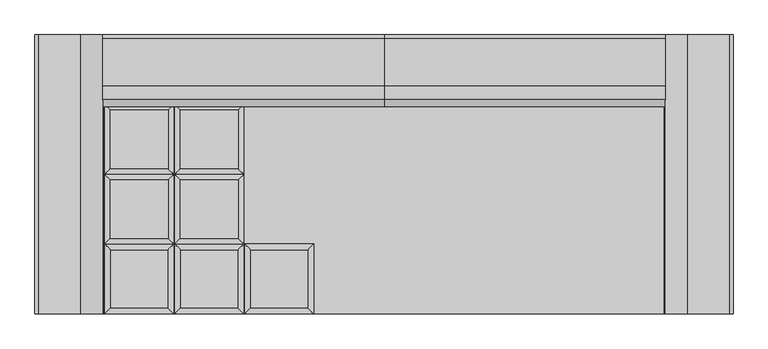
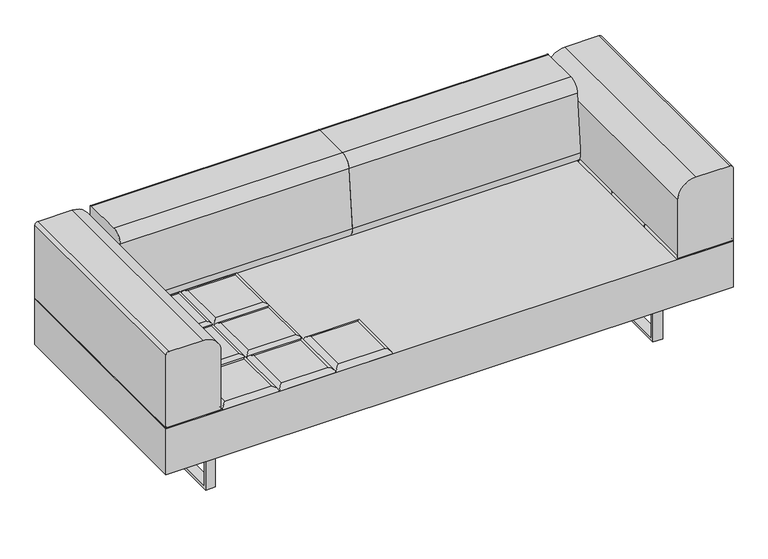
"""IFC4 building model written with IfcOpenShell, lengths in millimetres: furniture geometry."""

from ifc_helpers import new_model, si_unit, point, frame, frame_2d, origin, place, context, project, spatial, polyline, circle_curve, ellipse_curve, trimmed, segment, composite_curve, outline, extrude, source, transform, mapped, element, save
from ifc_brep_helpers import plane_surface, cylinder_surface, advanced_brep


def furniture_836f6d8a(model_context):
    return source(origin(), model_context, "Body", "SolidModel", [
        advanced_brep(
        [(-223.9433333, -222.25, 393.7), (-241.9038456, -240.2105122, 411.6605122), (-241.9038456, -426.5394878, 411.6605122), (-223.9433333, -444.5, 393.7), (-425.6928211, -426.5394878, 411.6605122), (-443.6533333, -444.5, 393.7), (-425.6928211, -240.2105122, 411.6605122), (-443.6533333, -222.25, 393.7)],
        [
            (0, 1, ellipse_curve(frame((-241.9038456, -240.2105122, 393.7), z_axis=(0.7071067811865475, -0.7071067811865475, 0.0), x_axis=(0.7071067811865474, 0.7071067811865476, 0.0)), 25.4, 17.9605122)),
            (1, 2),
            (2, 3, ellipse_curve(frame((-241.9038456, -426.5394878, 393.7), z_axis=(0.7071067811865475, 0.7071067811865475, 0.0), x_axis=(-0.7071067811865474, 0.7071067811865476, 0.0)), 25.4, 17.9605122)),
            (3, 0),
            (2, 4),
            (4, 5, ellipse_curve(frame((-425.6928211, -426.5394878, 393.7), z_axis=(0.7071067811865475, -0.7071067811865475, 0.0), x_axis=(0.7071067811865476, 0.7071067811865474, 0.0)), 25.4, 17.9605122)),
            (5, 3),
            (4, 6),
            (6, 7, ellipse_curve(frame((-425.6928211, -240.2105122, 393.7), z_axis=(-0.7071067811865475, -0.7071067811865475, 0.0), x_axis=(0.7071067811865474, -0.7071067811865476, 0.0)), 25.4, 17.9605122)),
            (7, 5),
            (0, 7),
            (6, 1),
        ],
        [
            cylinder_surface(frame((-241.9038456, -222.25, 393.7), z_axis=(0.0, 1.0, 0.0), x_axis=(1.0, 0.0, 0.0)), 17.9605122),
            cylinder_surface(frame((-223.9433333, -426.5394878, 393.7), z_axis=(1.0, 0.0, 0.0), x_axis=(0.0, -1.0, 0.0)), 17.9605122),
            cylinder_surface(frame((-425.6928211, -444.5, 393.7), z_axis=(0.0, -1.0, 0.0), x_axis=(-1.0, 0.0, 0.0)), 17.9605122),
            cylinder_surface(frame((-443.6533333, -240.2105122, 393.7), z_axis=(-1.0, 0.0, 0.0), x_axis=(0.0, 1.0, 0.0)), 17.9605122),
            plane_surface(frame((-443.6533333, -222.25, 393.7), z_axis=(0.0, 0.0, -1.0), x_axis=(1.0, 0.0, 0.0))),
            plane_surface(frame((-425.6928211, -240.2105122, 411.6605122), z_axis=(0.0, 0.0, 1.0), x_axis=(-1.0, 0.0, 0.0))),
        ],
        [
            (0, [[1, 2, 3, 4]]),
            (1, [[-3, 5, 6, 7]]),
            (2, [[-6, 8, 9, 10]]),
            (3, [[-1, 11, -9, 12]]),
            (4, [[-4, -7, -10, -11]]),
            (5, [[-2, -12, -8, -5]]),
        ],
    ),
        advanced_brep(
        [(-464.4360678, -204.2894878, 411.6605122), (-464.4360678, -17.9605122, 411.6605122), (-648.2250433, -17.9605122, 411.6605122), (-648.2250433, -204.2894878, 411.6605122), (-446.4755556, 0.0, 393.7), (-446.4755556, -222.25, 393.7), (-666.1855556, -222.25, 393.7), (-666.1855556, 0.0, 393.7)],
        [
            (0, 1),
            (1, 2),
            (2, 3),
            (3, 0),
            (4, 5),
            (5, 6),
            (6, 7),
            (7, 4),
            (4, 1, ellipse_curve(frame((-464.4360678, -17.9605122, 393.7), z_axis=(0.7071067811865475, -0.7071067811865475, 0.0), x_axis=(0.7071067811865474, 0.7071067811865476, 0.0)), 25.4, 17.9605122)),
            (0, 5, ellipse_curve(frame((-464.4360678, -204.2894878, 393.7), z_axis=(0.7071067811865475, 0.7071067811865475, 0.0), x_axis=(-0.7071067811865474, 0.7071067811865476, 0.0)), 25.4, 17.9605122)),
            (3, 6, ellipse_curve(frame((-648.2250433, -204.2894878, 393.7), z_axis=(0.7071067811865475, -0.7071067811865475, 0.0), x_axis=(0.7071067811865476, 0.7071067811865474, 0.0)), 25.4, 17.9605122)),
            (2, 7, ellipse_curve(frame((-648.2250433, -17.9605122, 393.7), z_axis=(-0.7071067811865475, -0.7071067811865475, 0.0), x_axis=(0.7071067811865474, -0.7071067811865476, 0.0)), 25.4, 17.9605122)),
        ],
        [
            plane_surface(frame((-648.2250433, -17.9605122, 411.6605122), z_axis=(0.0, 0.0, 1.0), x_axis=(-1.0, 0.0, 0.0))),
            plane_surface(frame((-648.2250433, -17.9605122, 393.7), z_axis=(0.0, 0.0, -1.0), x_axis=(1.0, 0.0, 0.0))),
            cylinder_surface(frame((-464.4360678, 0.0, 393.7), z_axis=(0.0, 1.0, 0.0), x_axis=(1.0, 0.0, 0.0)), 17.9605122),
            cylinder_surface(frame((-446.4755556, -204.2894878, 393.7), z_axis=(1.0, 0.0, 0.0), x_axis=(0.0, -1.0, 0.0)), 17.9605122),
            cylinder_surface(frame((-648.2250433, -222.25, 393.7), z_axis=(0.0, -1.0, 0.0), x_axis=(-1.0, 0.0, 0.0)), 17.9605122),
            cylinder_surface(frame((-666.1855556, -17.9605122, 393.7), z_axis=(-1.0, 0.0, 0.0), x_axis=(0.0, 1.0, 0.0)), 17.9605122),
        ],
        [
            (0, [[1, 2, 3, 4]]),
            (1, [[5, 6, 7, 8]]),
            (2, [[9, -1, 10, -5]]),
            (3, [[-10, -4, 11, -6]]),
            (4, [[-11, -3, 12, -7]]),
            (5, [[-9, -8, -12, -2]]),
        ],
    ),
        advanced_brep(
        [(-464.4360678, 17.9605122, 411.6605122), (-464.4360678, 204.2894878, 411.6605122), (-648.2250433, 204.2894878, 411.6605122), (-648.2250433, 17.9605122, 411.6605122), (-446.4755556, 222.25, 393.7), (-446.4755556, 0.0, 393.7), (-666.1855556, 0.0, 393.7), (-666.1855556, 222.25, 393.7)],
        [
            (0, 1),
            (1, 2),
            (2, 3),
            (3, 0),
            (4, 5),
            (5, 6),
            (6, 7),
            (7, 4),
            (4, 1, ellipse_curve(frame((-464.4360678, 204.2894878, 393.7), z_axis=(0.7071067811865475, -0.7071067811865475, 0.0), x_axis=(0.7071067811865474, 0.7071067811865476, 0.0)), 25.4, 17.9605122)),
            (0, 5, ellipse_curve(frame((-464.4360678, 17.9605122, 393.7), z_axis=(0.7071067811865475, 0.7071067811865475, 0.0), x_axis=(-0.7071067811865474, 0.7071067811865476, 0.0)), 25.4, 17.9605122)),
            (3, 6, ellipse_curve(frame((-648.2250433, 17.9605122, 393.7), z_axis=(0.7071067811865475, -0.7071067811865475, 0.0), x_axis=(0.7071067811865476, 0.7071067811865474, 0.0)), 25.4, 17.9605122)),
            (2, 7, ellipse_curve(frame((-648.2250433, 204.2894878, 393.7), z_axis=(-0.7071067811865475, -0.7071067811865475, 0.0), x_axis=(0.7071067811865474, -0.7071067811865476, 0.0)), 25.4, 17.9605122)),
        ],
        [
            plane_surface(frame((-648.2250433, 204.2894878, 411.6605122), z_axis=(0.0, 0.0, 1.0), x_axis=(-1.0, 0.0, 0.0))),
            plane_surface(frame((-648.2250433, 204.2894878, 393.7), z_axis=(0.0, 0.0, -1.0), x_axis=(1.0, 0.0, 0.0))),
            cylinder_surface(frame((-464.4360678, 222.25, 393.7), z_axis=(0.0, 1.0, 0.0), x_axis=(1.0, 0.0, 0.0)), 17.9605122),
            cylinder_surface(frame((-446.4755556, 17.9605122, 393.7), z_axis=(1.0, 0.0, 0.0), x_axis=(0.0, -1.0, 0.0)), 17.9605122),
            cylinder_surface(frame((-648.2250433, 0.0, 393.7), z_axis=(0.0, -1.0, 0.0), x_axis=(-1.0, 0.0, 0.0)), 17.9605122),
            cylinder_surface(frame((-666.1855556, 204.2894878, 393.7), z_axis=(-1.0, 0.0, 0.0), x_axis=(0.0, 1.0, 0.0)), 17.9605122),
        ],
        [
            (0, [[1, 2, 3, 4]]),
            (1, [[5, 6, 7, 8]]),
            (2, [[9, -1, 10, -5]]),
            (3, [[-10, -4, 11, -6]]),
            (4, [[-11, -3, 12, -7]]),
            (5, [[-9, -8, -12, -2]]),
        ],
    ),
        advanced_brep(
        [(-464.4360678, 240.2105122, 411.6605122), (-464.4360678, 426.5394878, 411.6605122), (-648.2250433, 426.5394878, 411.6605122), (-648.2250433, 240.2105122, 411.6605122), (-446.4755556, 444.5, 393.7), (-446.4755556, 222.25, 393.7), (-666.1855556, 222.25, 393.7), (-666.1855556, 444.5, 393.7)],
        [
            (0, 1),
            (1, 2),
            (2, 3),
            (3, 0),
            (4, 5),
            (5, 6),
            (6, 7),
            (7, 4),
            (4, 1, ellipse_curve(frame((-464.4360678, 426.5394878, 393.7), z_axis=(0.7071067811865475, -0.7071067811865475, 0.0), x_axis=(0.7071067811865474, 0.7071067811865476, 0.0)), 25.4, 17.9605122)),
            (0, 5, ellipse_curve(frame((-464.4360678, 240.2105122, 393.7), z_axis=(0.7071067811865475, 0.7071067811865475, 0.0), x_axis=(-0.7071067811865474, 0.7071067811865476, 0.0)), 25.4, 17.9605122)),
            (3, 6, ellipse_curve(frame((-648.2250433, 240.2105122, 393.7), z_axis=(0.7071067811865475, -0.7071067811865475, 0.0), x_axis=(0.7071067811865476, 0.7071067811865474, 0.0)), 25.4, 17.9605122)),
            (2, 7, ellipse_curve(frame((-648.2250433, 426.5394878, 393.7), z_axis=(-0.7071067811865475, -0.7071067811865475, 0.0), x_axis=(0.7071067811865474, -0.7071067811865476, 0.0)), 25.4, 17.9605122)),
        ],
        [
            plane_surface(frame((-648.2250433, 426.5394878, 411.6605122), z_axis=(0.0, 0.0, 1.0), x_axis=(-1.0, 0.0, 0.0))),
            plane_surface(frame((-648.2250433, 426.5394878, 393.7), z_axis=(0.0, 0.0, -1.0), x_axis=(1.0, 0.0, 0.0))),
            cylinder_surface(frame((-464.4360678, 444.5, 393.7), z_axis=(0.0, 1.0, 0.0), x_axis=(1.0, 0.0, 0.0)), 17.9605122),
            cylinder_surface(frame((-446.4755556, 240.2105122, 393.7), z_axis=(1.0, 0.0, 0.0), x_axis=(0.0, -1.0, 0.0)), 17.9605122),
            cylinder_surface(frame((-648.2250433, 222.25, 393.7), z_axis=(0.0, -1.0, 0.0), x_axis=(-1.0, 0.0, 0.0)), 17.9605122),
            cylinder_surface(frame((-666.1855556, 426.5394878, 393.7), z_axis=(-1.0, 0.0, 0.0), x_axis=(0.0, 1.0, 0.0)), 17.9605122),
        ],
        [
            (0, [[1, 2, 3, 4]]),
            (1, [[5, 6, 7, 8]]),
            (2, [[9, -1, 10, -5]]),
            (3, [[-10, -4, 11, -6]]),
            (4, [[-11, -3, 12, -7]]),
            (5, [[-9, -8, -12, -2]]),
        ],
    ),
        advanced_brep(
        [(-446.4755556, -222.25, 393.7), (-464.4360678, -240.2105122, 411.6605122), (-464.4360678, -426.5394878, 411.6605122), (-446.4755556, -444.5, 393.7), (-648.2250433, -426.5394878, 411.6605122), (-666.1855556, -444.5, 393.7), (-648.2250433, -240.2105122, 411.6605122), (-666.1855556, -222.25, 393.7)],
        [
            (0, 1, ellipse_curve(frame((-464.4360678, -240.2105122, 393.7), z_axis=(0.7071067811865475, -0.7071067811865475, 0.0), x_axis=(0.7071067811865474, 0.7071067811865476, 0.0)), 25.4, 17.9605122)),
            (1, 2),
            (2, 3, ellipse_curve(frame((-464.4360678, -426.5394878, 393.7), z_axis=(0.7071067811865475, 0.7071067811865475, 0.0), x_axis=(-0.7071067811865474, 0.7071067811865476, 0.0)), 25.4, 17.9605122)),
            (3, 0),
            (2, 4),
            (4, 5, ellipse_curve(frame((-648.2250433, -426.5394878, 393.7), z_axis=(0.7071067811865475, -0.7071067811865475, 0.0), x_axis=(0.7071067811865476, 0.7071067811865474, 0.0)), 25.4, 17.9605122)),
            (5, 3),
            (4, 6),
            (6, 7, ellipse_curve(frame((-648.2250433, -240.2105122, 393.7), z_axis=(-0.7071067811865475, -0.7071067811865475, 0.0), x_axis=(0.7071067811865474, -0.7071067811865476, 0.0)), 25.4, 17.9605122)),
            (7, 5),
            (0, 7),
            (6, 1),
        ],
        [
            cylinder_surface(frame((-464.4360678, -222.25, 393.7), z_axis=(0.0, 1.0, 0.0), x_axis=(1.0, 0.0, 0.0)), 17.9605122),
            cylinder_surface(frame((-446.4755556, -426.5394878, 393.7), z_axis=(1.0, 0.0, 0.0), x_axis=(0.0, -1.0, 0.0)), 17.9605122),
            cylinder_surface(frame((-648.2250433, -444.5, 393.7), z_axis=(0.0, -1.0, 0.0), x_axis=(-1.0, 0.0, 0.0)), 17.9605122),
            cylinder_surface(frame((-666.1855556, -240.2105122, 393.7), z_axis=(-1.0, 0.0, 0.0), x_axis=(0.0, 1.0, 0.0)), 17.9605122),
            plane_surface(frame((-666.1855556, -222.25, 393.7), z_axis=(0.0, 0.0, -1.0), x_axis=(1.0, 0.0, 0.0))),
            plane_surface(frame((-648.2250433, -240.2105122, 411.6605122), z_axis=(0.0, 0.0, 1.0), x_axis=(-1.0, 0.0, 0.0))),
        ],
        [
            (0, [[1, 2, 3, 4]]),
            (1, [[-3, 5, 6, 7]]),
            (2, [[-6, 8, 9, 10]]),
            (3, [[-1, 11, -9, 12]]),
            (4, [[-4, -7, -10, -11]]),
            (5, [[-2, -12, -8, -5]]),
        ],
    ),
        advanced_brep(
        [(-686.96829, -204.2894878, 411.6605122), (-686.96829, -17.9605122, 411.6605122), (-870.7572655, -17.9605122, 411.6605122), (-870.7572655, -204.2894878, 411.6605122), (-669.0077778, 0.0, 393.7), (-669.0077778, -222.25, 393.7), (-888.7177778, -222.25, 393.7), (-888.7177778, 0.0, 393.7)],
        [
            (0, 1),
            (1, 2),
            (2, 3),
            (3, 0),
            (4, 5),
            (5, 6),
            (6, 7),
            (7, 4),
            (4, 1, ellipse_curve(frame((-686.96829, -17.9605122, 393.7), z_axis=(0.7071067811865475, -0.7071067811865475, 0.0), x_axis=(0.7071067811865474, 0.7071067811865476, 0.0)), 25.4, 17.9605122)),
            (0, 5, ellipse_curve(frame((-686.96829, -204.2894878, 393.7), z_axis=(0.7071067811865475, 0.7071067811865475, 0.0), x_axis=(-0.7071067811865474, 0.7071067811865476, 0.0)), 25.4, 17.9605122)),
            (3, 6, ellipse_curve(frame((-870.7572655, -204.2894878, 393.7), z_axis=(0.7071067811865475, -0.7071067811865475, 0.0), x_axis=(0.7071067811865476, 0.7071067811865474, 0.0)), 25.4, 17.9605122)),
            (2, 7, ellipse_curve(frame((-870.7572655, -17.9605122, 393.7), z_axis=(-0.7071067811865475, -0.7071067811865475, 0.0), x_axis=(0.7071067811865474, -0.7071067811865476, 0.0)), 25.4, 17.9605122)),
        ],
        [
            plane_surface(frame((-870.7572655, -17.9605122, 411.6605122), z_axis=(0.0, 0.0, 1.0), x_axis=(-1.0, 0.0, 0.0))),
            plane_surface(frame((-870.7572655, -17.9605122, 393.7), z_axis=(0.0, 0.0, -1.0), x_axis=(1.0, 0.0, 0.0))),
            cylinder_surface(frame((-686.96829, 0.0, 393.7), z_axis=(0.0, 1.0, 0.0), x_axis=(1.0, 0.0, 0.0)), 17.9605122),
            cylinder_surface(frame((-669.0077778, -204.2894878, 393.7), z_axis=(1.0, 0.0, 0.0), x_axis=(0.0, -1.0, 0.0)), 17.9605122),
            cylinder_surface(frame((-870.7572655, -222.25, 393.7), z_axis=(0.0, -1.0, 0.0), x_axis=(-1.0, 0.0, 0.0)), 17.9605122),
            cylinder_surface(frame((-888.7177778, -17.9605122, 393.7), z_axis=(-1.0, 0.0, 0.0), x_axis=(0.0, 1.0, 0.0)), 17.9605122),
        ],
        [
            (0, [[1, 2, 3, 4]]),
            (1, [[5, 6, 7, 8]]),
            (2, [[9, -1, 10, -5]]),
            (3, [[-10, -4, 11, -6]]),
            (4, [[-11, -3, 12, -7]]),
            (5, [[-9, -8, -12, -2]]),
        ],
    ),
        advanced_brep(
        [(-686.96829, 17.9605122, 411.6605122), (-686.96829, 204.2894878, 411.6605122), (-870.7572655, 204.2894878, 411.6605122), (-870.7572655, 17.9605122, 411.6605122), (-669.0077778, 222.25, 393.7), (-669.0077778, 0.0, 393.7), (-888.7177778, 0.0, 393.7), (-888.7177778, 222.25, 393.7)],
        [
            (0, 1),
            (1, 2),
            (2, 3),
            (3, 0),
            (4, 5),
            (5, 6),
            (6, 7),
            (7, 4),
            (4, 1, ellipse_curve(frame((-686.96829, 204.2894878, 393.7), z_axis=(0.7071067811865475, -0.7071067811865475, 0.0), x_axis=(0.7071067811865474, 0.7071067811865476, 0.0)), 25.4, 17.9605122)),
            (0, 5, ellipse_curve(frame((-686.96829, 17.9605122, 393.7), z_axis=(0.7071067811865475, 0.7071067811865475, 0.0), x_axis=(-0.7071067811865474, 0.7071067811865476, 0.0)), 25.4, 17.9605122)),
            (3, 6, ellipse_curve(frame((-870.7572655, 17.9605122, 393.7), z_axis=(0.7071067811865475, -0.7071067811865475, 0.0), x_axis=(0.7071067811865476, 0.7071067811865474, 0.0)), 25.4, 17.9605122)),
            (2, 7, ellipse_curve(frame((-870.7572655, 204.2894878, 393.7), z_axis=(-0.7071067811865475, -0.7071067811865475, 0.0), x_axis=(0.7071067811865474, -0.7071067811865476, 0.0)), 25.4, 17.9605122)),
        ],
        [
            plane_surface(frame((-870.7572655, 204.2894878, 411.6605122), z_axis=(0.0, 0.0, 1.0), x_axis=(-1.0, 0.0, 0.0))),
            plane_surface(frame((-870.7572655, 204.2894878, 393.7), z_axis=(0.0, 0.0, -1.0), x_axis=(1.0, 0.0, 0.0))),
            cylinder_surface(frame((-686.96829, 222.25, 393.7), z_axis=(0.0, 1.0, 0.0), x_axis=(1.0, 0.0, 0.0)), 17.9605122),
            cylinder_surface(frame((-669.0077778, 17.9605122, 393.7), z_axis=(1.0, 0.0, 0.0), x_axis=(0.0, -1.0, 0.0)), 17.9605122),
            cylinder_surface(frame((-870.7572655, 0.0, 393.7), z_axis=(0.0, -1.0, 0.0), x_axis=(-1.0, 0.0, 0.0)), 17.9605122),
            cylinder_surface(frame((-888.7177778, 204.2894878, 393.7), z_axis=(-1.0, 0.0, 0.0), x_axis=(0.0, 1.0, 0.0)), 17.9605122),
        ],
        [
            (0, [[1, 2, 3, 4]]),
            (1, [[5, 6, 7, 8]]),
            (2, [[9, -1, 10, -5]]),
            (3, [[-10, -4, 11, -6]]),
            (4, [[-11, -3, 12, -7]]),
            (5, [[-9, -8, -12, -2]]),
        ],
    ),
        advanced_brep(
        [(-686.96829, 240.2105122, 411.6605122), (-686.96829, 426.5394878, 411.6605122), (-870.7572655, 426.5394878, 411.6605122), (-870.7572655, 240.2105122, 411.6605122), (-669.0077778, 444.5, 393.7), (-669.0077778, 222.25, 393.7), (-888.7177778, 222.25, 393.7), (-888.7177778, 444.5, 393.7)],
        [
            (0, 1),
            (1, 2),
            (2, 3),
            (3, 0),
            (4, 5),
            (5, 6),
            (6, 7),
            (7, 4),
            (4, 1, ellipse_curve(frame((-686.96829, 426.5394878, 393.7), z_axis=(0.7071067811865475, -0.7071067811865475, 0.0), x_axis=(0.7071067811865474, 0.7071067811865476, 0.0)), 25.4, 17.9605122)),
            (0, 5, ellipse_curve(frame((-686.96829, 240.2105122, 393.7), z_axis=(0.7071067811865475, 0.7071067811865475, 0.0), x_axis=(-0.7071067811865474, 0.7071067811865476, 0.0)), 25.4, 17.9605122)),
            (3, 6, ellipse_curve(frame((-870.7572655, 240.2105122, 393.7), z_axis=(0.7071067811865475, -0.7071067811865475, 0.0), x_axis=(0.7071067811865476, 0.7071067811865474, 0.0)), 25.4, 17.9605122)),
            (2, 7, ellipse_curve(frame((-870.7572655, 426.5394878, 393.7), z_axis=(-0.7071067811865475, -0.7071067811865475, 0.0), x_axis=(0.7071067811865474, -0.7071067811865476, 0.0)), 25.4, 17.9605122)),
        ],
        [
            plane_surface(frame((-870.7572655, 426.5394878, 411.6605122), z_axis=(0.0, 0.0, 1.0), x_axis=(-1.0, 0.0, 0.0))),
            plane_surface(frame((-870.7572655, 426.5394878, 393.7), z_axis=(0.0, 0.0, -1.0), x_axis=(1.0, 0.0, 0.0))),
            cylinder_surface(frame((-686.96829, 444.5, 393.7), z_axis=(0.0, 1.0, 0.0), x_axis=(1.0, 0.0, 0.0)), 17.9605122),
            cylinder_surface(frame((-669.0077778, 240.2105122, 393.7), z_axis=(1.0, 0.0, 0.0), x_axis=(0.0, -1.0, 0.0)), 17.9605122),
            cylinder_surface(frame((-870.7572655, 222.25, 393.7), z_axis=(0.0, -1.0, 0.0), x_axis=(-1.0, 0.0, 0.0)), 17.9605122),
            cylinder_surface(frame((-888.7177778, 426.5394878, 393.7), z_axis=(-1.0, 0.0, 0.0), x_axis=(0.0, 1.0, 0.0)), 17.9605122),
        ],
        [
            (0, [[1, 2, 3, 4]]),
            (1, [[5, 6, 7, 8]]),
            (2, [[9, -1, 10, -5]]),
            (3, [[-10, -4, 11, -6]]),
            (4, [[-11, -3, 12, -7]]),
            (5, [[-9, -8, -12, -2]]),
        ],
    ),
        advanced_brep(
        [(-669.0077778, -222.25, 393.7), (-686.96829, -240.2105122, 411.6605122), (-686.96829, -426.5394878, 411.6605122), (-669.0077778, -444.5, 393.7), (-870.7572655, -426.5394878, 411.6605122), (-888.7177778, -444.5, 393.7), (-870.7572655, -240.2105122, 411.6605122), (-888.7177778, -222.25, 393.7)],
        [
            (0, 1, ellipse_curve(frame((-686.96829, -240.2105122, 393.7), z_axis=(0.7071067811865475, -0.7071067811865475, 0.0), x_axis=(0.7071067811865474, 0.7071067811865476, 0.0)), 25.4, 17.9605122)),
            (1, 2),
            (2, 3, ellipse_curve(frame((-686.96829, -426.5394878, 393.7), z_axis=(0.7071067811865475, 0.7071067811865475, 0.0), x_axis=(-0.7071067811865474, 0.7071067811865476, 0.0)), 25.4, 17.9605122)),
            (3, 0),
            (2, 4),
            (4, 5, ellipse_curve(frame((-870.7572655, -426.5394878, 393.7), z_axis=(0.7071067811865475, -0.7071067811865475, 0.0), x_axis=(0.7071067811865476, 0.7071067811865474, 0.0)), 25.4, 17.9605122)),
            (5, 3),
            (4, 6),
            (6, 7, ellipse_curve(frame((-870.7572655, -240.2105122, 393.7), z_axis=(-0.7071067811865475, -0.7071067811865475, 0.0), x_axis=(0.7071067811865474, -0.7071067811865476, 0.0)), 25.4, 17.9605122)),
            (7, 5),
            (0, 7),
            (6, 1),
        ],
        [
            cylinder_surface(frame((-686.96829, -222.25, 393.7), z_axis=(0.0, 1.0, 0.0), x_axis=(1.0, 0.0, 0.0)), 17.9605122),
            cylinder_surface(frame((-669.0077778, -426.5394878, 393.7), z_axis=(1.0, 0.0, 0.0), x_axis=(0.0, -1.0, 0.0)), 17.9605122),
            cylinder_surface(frame((-870.7572655, -444.5, 393.7), z_axis=(0.0, -1.0, 0.0), x_axis=(-1.0, 0.0, 0.0)), 17.9605122),
            cylinder_surface(frame((-888.7177778, -240.2105122, 393.7), z_axis=(-1.0, 0.0, 0.0), x_axis=(0.0, 1.0, 0.0)), 17.9605122),
            plane_surface(frame((-888.7177778, -222.25, 393.7), z_axis=(0.0, 0.0, -1.0), x_axis=(1.0, 0.0, 0.0))),
            plane_surface(frame((-870.7572655, -240.2105122, 411.6605122), z_axis=(0.0, 0.0, 1.0), x_axis=(-1.0, 0.0, 0.0))),
        ],
        [
            (0, [[1, 2, 3, 4]]),
            (1, [[-3, 5, 6, 7]]),
            (2, [[-6, 8, 9, 10]]),
            (3, [[-1, 11, -9, 12]]),
            (4, [[-4, -7, -10, -11]]),
            (5, [[-2, -12, -8, -5]]),
        ],
    ),
        advanced_brep(
        [(1093.2894878, -204.2894878, 411.6605122), (1093.2894878, -17.9605122, 411.6605122), (909.5005122, -17.9605122, 411.6605122), (909.5005122, -204.2894878, 411.6605122), (1111.25, 0.0, 393.7), (1111.25, -222.25, 393.7), (891.54, -222.25, 393.7), (891.54, 0.0, 393.7)],
        [
            (0, 1),
            (1, 2),
            (2, 3),
            (3, 0),
            (4, 5),
            (5, 6),
            (6, 7),
            (7, 4),
            (4, 1, ellipse_curve(frame((1093.2894878, -17.9605122, 393.7), z_axis=(0.7071067811865475, -0.7071067811865475, 0.0), x_axis=(0.7071067811865474, 0.7071067811865476, 0.0)), 25.4, 17.9605122)),
            (0, 5, ellipse_curve(frame((1093.2894878, -204.2894878, 393.7), z_axis=(0.7071067811865475, 0.7071067811865475, 0.0), x_axis=(-0.7071067811865474, 0.7071067811865476, 0.0)), 25.4, 17.9605122)),
            (3, 6, ellipse_curve(frame((909.5005122, -204.2894878, 393.7), z_axis=(0.7071067811865475, -0.7071067811865475, 0.0), x_axis=(0.7071067811865476, 0.7071067811865474, 0.0)), 25.4, 17.9605122)),
            (2, 7, ellipse_curve(frame((909.5005122, -17.9605122, 393.7), z_axis=(-0.7071067811865475, -0.7071067811865475, 0.0), x_axis=(0.7071067811865474, -0.7071067811865476, 0.0)), 25.4, 17.9605122)),
        ],
        [
            plane_surface(frame((909.5005122, -17.9605122, 411.6605122), z_axis=(0.0, 0.0, 1.0), x_axis=(-1.0, 0.0, 0.0))),
            plane_surface(frame((909.5005122, -17.9605122, 393.7), z_axis=(0.0, 0.0, -1.0), x_axis=(1.0, 0.0, 0.0))),
            cylinder_surface(frame((1093.2894878, 0.0, 393.7), z_axis=(0.0, 1.0, 0.0), x_axis=(1.0, 0.0, 0.0)), 17.9605122),
            cylinder_surface(frame((1111.25, -204.2894878, 393.7), z_axis=(1.0, 0.0, 0.0), x_axis=(0.0, -1.0, 0.0)), 17.9605122),
            cylinder_surface(frame((909.5005122, -222.25, 393.7), z_axis=(0.0, -1.0, 0.0), x_axis=(-1.0, 0.0, 0.0)), 17.9605122),
            cylinder_surface(frame((891.54, -17.9605122, 393.7), z_axis=(-1.0, 0.0, 0.0), x_axis=(0.0, 1.0, 0.0)), 17.9605122),
        ],
        [
            (0, [[1, 2, 3, 4]]),
            (1, [[5, 6, 7, 8]]),
            (2, [[9, -1, 10, -5]]),
            (3, [[-10, -4, 11, -6]]),
            (4, [[-11, -3, 12, -7]]),
            (5, [[-9, -8, -12, -2]]),
        ],
    ),
        advanced_brep(
        [(1093.2894878, 17.9605122, 411.6605122), (1093.2894878, 204.2894878, 411.6605122), (909.5005122, 204.2894878, 411.6605122), (909.5005122, 17.9605122, 411.6605122), (1111.25, 222.25, 393.7), (1111.25, 0.0, 393.7), (891.54, 0.0, 393.7), (891.54, 222.25, 393.7)],
        [
            (0, 1),
            (1, 2),
            (2, 3),
            (3, 0),
            (4, 5),
            (5, 6),
            (6, 7),
            (7, 4),
            (4, 1, ellipse_curve(frame((1093.2894878, 204.2894878, 393.7), z_axis=(0.7071067811865475, -0.7071067811865475, 0.0), x_axis=(0.7071067811865474, 0.7071067811865476, 0.0)), 25.4, 17.9605122)),
            (0, 5, ellipse_curve(frame((1093.2894878, 17.9605122, 393.7), z_axis=(0.7071067811865475, 0.7071067811865475, 0.0), x_axis=(-0.7071067811865474, 0.7071067811865476, 0.0)), 25.4, 17.9605122)),
            (3, 6, ellipse_curve(frame((909.5005122, 17.9605122, 393.7), z_axis=(0.7071067811865475, -0.7071067811865475, 0.0), x_axis=(0.7071067811865476, 0.7071067811865474, 0.0)), 25.4, 17.9605122)),
            (2, 7, ellipse_curve(frame((909.5005122, 204.2894878, 393.7), z_axis=(-0.7071067811865475, -0.7071067811865475, 0.0), x_axis=(0.7071067811865474, -0.7071067811865476, 0.0)), 25.4, 17.9605122)),
        ],
        [
            plane_surface(frame((909.5005122, 204.2894878, 411.6605122), z_axis=(0.0, 0.0, 1.0), x_axis=(-1.0, 0.0, 0.0))),
            plane_surface(frame((909.5005122, 204.2894878, 393.7), z_axis=(0.0, 0.0, -1.0), x_axis=(1.0, 0.0, 0.0))),
            cylinder_surface(frame((1093.2894878, 222.25, 393.7), z_axis=(0.0, 1.0, 0.0), x_axis=(1.0, 0.0, 0.0)), 17.9605122),
            cylinder_surface(frame((1111.25, 17.9605122, 393.7), z_axis=(1.0, 0.0, 0.0), x_axis=(0.0, -1.0, 0.0)), 17.9605122),
            cylinder_surface(frame((909.5005122, 0.0, 393.7), z_axis=(0.0, -1.0, 0.0), x_axis=(-1.0, 0.0, 0.0)), 17.9605122),
            cylinder_surface(frame((891.54, 204.2894878, 393.7), z_axis=(-1.0, 0.0, 0.0), x_axis=(0.0, 1.0, 0.0)), 17.9605122),
        ],
        [
            (0, [[1, 2, 3, 4]]),
            (1, [[5, 6, 7, 8]]),
            (2, [[9, -1, 10, -5]]),
            (3, [[-10, -4, 11, -6]]),
            (4, [[-11, -3, 12, -7]]),
            (5, [[-9, -8, -12, -2]]),
        ],
    ),
        advanced_brep(
        [(1093.2894878, 240.2105122, 411.6605122), (1093.2894878, 426.5394878, 411.6605122), (909.5005122, 426.5394878, 411.6605122), (909.5005122, 240.2105122, 411.6605122), (1111.25, 444.5, 393.7), (1111.25, 222.25, 393.7), (891.54, 222.25, 393.7), (891.54, 444.5, 393.7)],
        [
            (0, 1),
            (1, 2),
            (2, 3),
            (3, 0),
            (4, 5),
            (5, 6),
            (6, 7),
            (7, 4),
            (4, 1, ellipse_curve(frame((1093.2894878, 426.5394878, 393.7), z_axis=(0.7071067811865475, -0.7071067811865475, 0.0), x_axis=(0.7071067811865474, 0.7071067811865476, 0.0)), 25.4, 17.9605122)),
            (0, 5, ellipse_curve(frame((1093.2894878, 240.2105122, 393.7), z_axis=(0.7071067811865475, 0.7071067811865475, 0.0), x_axis=(-0.7071067811865474, 0.7071067811865476, 0.0)), 25.4, 17.9605122)),
            (3, 6, ellipse_curve(frame((909.5005122, 240.2105122, 393.7), z_axis=(0.7071067811865475, -0.7071067811865475, 0.0), x_axis=(0.7071067811865476, 0.7071067811865474, 0.0)), 25.4, 17.9605122)),
            (2, 7, ellipse_curve(frame((909.5005122, 426.5394878, 393.7), z_axis=(-0.7071067811865475, -0.7071067811865475, 0.0), x_axis=(0.7071067811865474, -0.7071067811865476, 0.0)), 25.4, 17.9605122)),
        ],
        [
            plane_surface(frame((909.5005122, 426.5394878, 411.6605122), z_axis=(0.0, 0.0, 1.0), x_axis=(-1.0, 0.0, 0.0))),
            plane_surface(frame((909.5005122, 426.5394878, 393.7), z_axis=(0.0, 0.0, -1.0), x_axis=(1.0, 0.0, 0.0))),
            cylinder_surface(frame((1093.2894878, 444.5, 393.7), z_axis=(0.0, 1.0, 0.0), x_axis=(1.0, 0.0, 0.0)), 17.9605122),
            cylinder_surface(frame((1111.25, 240.2105122, 393.7), z_axis=(1.0, 0.0, 0.0), x_axis=(0.0, -1.0, 0.0)), 17.9605122),
            cylinder_surface(frame((909.5005122, 222.25, 393.7), z_axis=(0.0, -1.0, 0.0), x_axis=(-1.0, 0.0, 0.0)), 17.9605122),
            cylinder_surface(frame((891.54, 426.5394878, 393.7), z_axis=(-1.0, 0.0, 0.0), x_axis=(0.0, 1.0, 0.0)), 17.9605122),
        ],
        [
            (0, [[1, 2, 3, 4]]),
            (1, [[5, 6, 7, 8]]),
            (2, [[9, -1, 10, -5]]),
            (3, [[-10, -4, 11, -6]]),
            (4, [[-11, -3, 12, -7]]),
            (5, [[-9, -8, -12, -2]]),
        ],
    ),
        advanced_brep(
        [(1111.25, -222.25, 393.7), (1093.2894878, -240.2105122, 411.6605122), (1093.2894878, -426.5394878, 411.6605122), (1111.25, -444.5, 393.7), (909.5005122, -426.5394878, 411.6605122), (891.54, -444.5, 393.7), (909.5005122, -240.2105122, 411.6605122), (891.54, -222.25, 393.7)],
        [
            (0, 1, ellipse_curve(frame((1093.2894878, -240.2105122, 393.7), z_axis=(0.7071067811865475, -0.7071067811865475, 0.0), x_axis=(0.7071067811865474, 0.7071067811865476, 0.0)), 25.4, 17.9605122)),
            (1, 2),
            (2, 3, ellipse_curve(frame((1093.2894878, -426.5394878, 393.7), z_axis=(0.7071067811865475, 0.7071067811865475, 0.0), x_axis=(-0.7071067811865474, 0.7071067811865476, 0.0)), 25.4, 17.9605122)),
            (3, 0),
            (2, 4),
            (4, 5, ellipse_curve(frame((909.5005122, -426.5394878, 393.7), z_axis=(0.7071067811865475, -0.7071067811865475, 0.0), x_axis=(0.7071067811865476, 0.7071067811865474, 0.0)), 25.4, 17.9605122)),
            (5, 3),
            (4, 6),
            (6, 7, ellipse_curve(frame((909.5005122, -240.2105122, 393.7), z_axis=(-0.7071067811865475, -0.7071067811865475, 0.0), x_axis=(0.7071067811865474, -0.7071067811865476, 0.0)), 25.4, 17.9605122)),
            (7, 5),
            (0, 7),
            (6, 1),
        ],
        [
            cylinder_surface(frame((1093.2894878, -222.25, 393.7), z_axis=(0.0, 1.0, 0.0), x_axis=(1.0, 0.0, 0.0)), 17.9605122),
            cylinder_surface(frame((1111.25, -426.5394878, 393.7), z_axis=(1.0, 0.0, 0.0), x_axis=(0.0, -1.0, 0.0)), 17.9605122),
            cylinder_surface(frame((909.5005122, -444.5, 393.7), z_axis=(0.0, -1.0, 0.0), x_axis=(-1.0, 0.0, 0.0)), 17.9605122),
            cylinder_surface(frame((891.54, -240.2105122, 393.7), z_axis=(-1.0, 0.0, 0.0), x_axis=(0.0, 1.0, 0.0)), 17.9605122),
            plane_surface(frame((891.54, -222.25, 393.7), z_axis=(0.0, 0.0, -1.0), x_axis=(1.0, 0.0, 0.0))),
            plane_surface(frame((909.5005122, -240.2105122, 411.6605122), z_axis=(0.0, 0.0, 1.0), x_axis=(-1.0, 0.0, 0.0))),
        ],
        [
            (0, [[1, 2, 3, 4]]),
            (1, [[-3, 5, 6, 7]]),
            (2, [[-6, 8, 9, 10]]),
            (3, [[-1, 11, -9, 12]]),
            (4, [[-4, -7, -10, -11]]),
            (5, [[-2, -12, -8, -5]]),
        ],
    ),
        advanced_brep(
        [(-909.5005122, -204.2894878, 411.6605122), (-909.5005122, -17.9605122, 411.6605122), (-1093.2894878, -17.9605122, 411.6605122), (-1093.2894878, -204.2894878, 411.6605122), (-891.54, 0.0, 393.7), (-891.54, -222.25, 393.7), (-1111.25, -222.25, 393.7), (-1111.25, 0.0, 393.7)],
        [
            (0, 1),
            (1, 2),
            (2, 3),
            (3, 0),
            (4, 5),
            (5, 6),
            (6, 7),
            (7, 4),
            (4, 1, ellipse_curve(frame((-909.5005122, -17.9605122, 393.7), z_axis=(0.7071067811865475, -0.7071067811865475, 0.0), x_axis=(0.7071067811865474, 0.7071067811865476, 0.0)), 25.4, 17.9605122)),
            (0, 5, ellipse_curve(frame((-909.5005122, -204.2894878, 393.7), z_axis=(0.7071067811865475, 0.7071067811865475, 0.0), x_axis=(-0.7071067811865474, 0.7071067811865476, 0.0)), 25.4, 17.9605122)),
            (3, 6, ellipse_curve(frame((-1093.2894878, -204.2894878, 393.7), z_axis=(0.7071067811865475, -0.7071067811865475, 0.0), x_axis=(0.7071067811865476, 0.7071067811865474, 0.0)), 25.4, 17.9605122)),
            (2, 7, ellipse_curve(frame((-1093.2894878, -17.9605122, 393.7), z_axis=(-0.7071067811865475, -0.7071067811865475, 0.0), x_axis=(0.7071067811865474, -0.7071067811865476, 0.0)), 25.4, 17.9605122)),
        ],
        [
            plane_surface(frame((-1093.2894878, -17.9605122, 411.6605122), z_axis=(0.0, 0.0, 1.0), x_axis=(-1.0, 0.0, 0.0))),
            plane_surface(frame((-1093.2894878, -17.9605122, 393.7), z_axis=(0.0, 0.0, -1.0), x_axis=(1.0, 0.0, 0.0))),
            cylinder_surface(frame((-909.5005122, 0.0, 393.7), z_axis=(0.0, 1.0, 0.0), x_axis=(1.0, 0.0, 0.0)), 17.9605122),
            cylinder_surface(frame((-891.54, -204.2894878, 393.7), z_axis=(1.0, 0.0, 0.0), x_axis=(0.0, -1.0, 0.0)), 17.9605122),
            cylinder_surface(frame((-1093.2894878, -222.25, 393.7), z_axis=(0.0, -1.0, 0.0), x_axis=(-1.0, 0.0, 0.0)), 17.9605122),
            cylinder_surface(frame((-1111.25, -17.9605122, 393.7), z_axis=(-1.0, 0.0, 0.0), x_axis=(0.0, 1.0, 0.0)), 17.9605122),
        ],
        [
            (0, [[1, 2, 3, 4]]),
            (1, [[5, 6, 7, 8]]),
            (2, [[9, -1, 10, -5]]),
            (3, [[-10, -4, 11, -6]]),
            (4, [[-11, -3, 12, -7]]),
            (5, [[-9, -8, -12, -2]]),
        ],
    ),
        advanced_brep(
        [(-909.5005122, 17.9605122, 411.6605122), (-909.5005122, 204.2894878, 411.6605122), (-1093.2894878, 204.2894878, 411.6605122), (-1093.2894878, 17.9605122, 411.6605122), (-891.54, 222.25, 393.7), (-891.54, 0.0, 393.7), (-1111.25, 0.0, 393.7), (-1111.25, 222.25, 393.7)],
        [
            (0, 1),
            (1, 2),
            (2, 3),
            (3, 0),
            (4, 5),
            (5, 6),
            (6, 7),
            (7, 4),
            (4, 1, ellipse_curve(frame((-909.5005122, 204.2894878, 393.7), z_axis=(0.7071067811865475, -0.7071067811865475, 0.0), x_axis=(0.7071067811865474, 0.7071067811865476, 0.0)), 25.4, 17.9605122)),
            (0, 5, ellipse_curve(frame((-909.5005122, 17.9605122, 393.7), z_axis=(0.7071067811865475, 0.7071067811865475, 0.0), x_axis=(-0.7071067811865474, 0.7071067811865476, 0.0)), 25.4, 17.9605122)),
            (3, 6, ellipse_curve(frame((-1093.2894878, 17.9605122, 393.7), z_axis=(0.7071067811865475, -0.7071067811865475, 0.0), x_axis=(0.7071067811865476, 0.7071067811865474, 0.0)), 25.4, 17.9605122)),
            (2, 7, ellipse_curve(frame((-1093.2894878, 204.2894878, 393.7), z_axis=(-0.7071067811865475, -0.7071067811865475, 0.0), x_axis=(0.7071067811865474, -0.7071067811865476, 0.0)), 25.4, 17.9605122)),
        ],
        [
            plane_surface(frame((-1093.2894878, 204.2894878, 411.6605122), z_axis=(0.0, 0.0, 1.0), x_axis=(-1.0, 0.0, 0.0))),
            plane_surface(frame((-1093.2894878, 204.2894878, 393.7), z_axis=(0.0, 0.0, -1.0), x_axis=(1.0, 0.0, 0.0))),
            cylinder_surface(frame((-909.5005122, 222.25, 393.7), z_axis=(0.0, 1.0, 0.0), x_axis=(1.0, 0.0, 0.0)), 17.9605122),
            cylinder_surface(frame((-891.54, 17.9605122, 393.7), z_axis=(1.0, 0.0, 0.0), x_axis=(0.0, -1.0, 0.0)), 17.9605122),
            cylinder_surface(frame((-1093.2894878, 0.0, 393.7), z_axis=(0.0, -1.0, 0.0), x_axis=(-1.0, 0.0, 0.0)), 17.9605122),
            cylinder_surface(frame((-1111.25, 204.2894878, 393.7), z_axis=(-1.0, 0.0, 0.0), x_axis=(0.0, 1.0, 0.0)), 17.9605122),
        ],
        [
            (0, [[1, 2, 3, 4]]),
            (1, [[5, 6, 7, 8]]),
            (2, [[9, -1, 10, -5]]),
            (3, [[-10, -4, 11, -6]]),
            (4, [[-11, -3, 12, -7]]),
            (5, [[-9, -8, -12, -2]]),
        ],
    ),
        advanced_brep(
        [(-909.5005122, 240.2105122, 411.6605122), (-909.5005122, 426.5394878, 411.6605122), (-1093.2894878, 426.5394878, 411.6605122), (-1093.2894878, 240.2105122, 411.6605122), (-891.54, 444.5, 393.7), (-891.54, 222.25, 393.7), (-1111.25, 222.25, 393.7), (-1111.25, 444.5, 393.7)],
        [
            (0, 1),
            (1, 2),
            (2, 3),
            (3, 0),
            (4, 5),
            (5, 6),
            (6, 7),
            (7, 4),
            (4, 1, ellipse_curve(frame((-909.5005122, 426.5394878, 393.7), z_axis=(0.7071067811865475, -0.7071067811865475, 0.0), x_axis=(0.7071067811865474, 0.7071067811865476, 0.0)), 25.4, 17.9605122)),
            (0, 5, ellipse_curve(frame((-909.5005122, 240.2105122, 393.7), z_axis=(0.7071067811865475, 0.7071067811865475, 0.0), x_axis=(-0.7071067811865474, 0.7071067811865476, 0.0)), 25.4, 17.9605122)),
            (3, 6, ellipse_curve(frame((-1093.2894878, 240.2105122, 393.7), z_axis=(0.7071067811865475, -0.7071067811865475, 0.0), x_axis=(0.7071067811865476, 0.7071067811865474, 0.0)), 25.4, 17.9605122)),
            (2, 7, ellipse_curve(frame((-1093.2894878, 426.5394878, 393.7), z_axis=(-0.7071067811865475, -0.7071067811865475, 0.0), x_axis=(0.7071067811865474, -0.7071067811865476, 0.0)), 25.4, 17.9605122)),
        ],
        [
            plane_surface(frame((-1093.2894878, 426.5394878, 411.6605122), z_axis=(0.0, 0.0, 1.0), x_axis=(-1.0, 0.0, 0.0))),
            plane_surface(frame((-1093.2894878, 426.5394878, 393.7), z_axis=(0.0, 0.0, -1.0), x_axis=(1.0, 0.0, 0.0))),
            cylinder_surface(frame((-909.5005122, 444.5, 393.7), z_axis=(0.0, 1.0, 0.0), x_axis=(1.0, 0.0, 0.0)), 17.9605122),
            cylinder_surface(frame((-891.54, 240.2105122, 393.7), z_axis=(1.0, 0.0, 0.0), x_axis=(0.0, -1.0, 0.0)), 17.9605122),
            cylinder_surface(frame((-1093.2894878, 222.25, 393.7), z_axis=(0.0, -1.0, 0.0), x_axis=(-1.0, 0.0, 0.0)), 17.9605122),
            cylinder_surface(frame((-1111.25, 426.5394878, 393.7), z_axis=(-1.0, 0.0, 0.0), x_axis=(0.0, 1.0, 0.0)), 17.9605122),
        ],
        [
            (0, [[1, 2, 3, 4]]),
            (1, [[5, 6, 7, 8]]),
            (2, [[9, -1, 10, -5]]),
            (3, [[-10, -4, 11, -6]]),
            (4, [[-11, -3, 12, -7]]),
            (5, [[-9, -8, -12, -2]]),
        ],
    ),
        advanced_brep(
        [(-891.54, -222.25, 393.7), (-909.5005122, -240.2105122, 411.6605122), (-909.5005122, -426.5394878, 411.6605122), (-891.54, -444.5, 393.7), (-1093.2894878, -426.5394878, 411.6605122), (-1111.25, -444.5, 393.7), (-1093.2894878, -240.2105122, 411.6605122), (-1111.25, -222.25, 393.7)],
        [
            (0, 1, ellipse_curve(frame((-909.5005122, -240.2105122, 393.7), z_axis=(0.7071067811865475, -0.7071067811865475, 0.0), x_axis=(0.7071067811865474, 0.7071067811865476, 0.0)), 25.4, 17.9605122)),
            (1, 2),
            (2, 3, ellipse_curve(frame((-909.5005122, -426.5394878, 393.7), z_axis=(0.7071067811865475, 0.7071067811865475, 0.0), x_axis=(-0.7071067811865474, 0.7071067811865476, 0.0)), 25.4, 17.9605122)),
            (3, 0),
            (2, 4),
            (4, 5, ellipse_curve(frame((-1093.2894878, -426.5394878, 393.7), z_axis=(0.7071067811865475, -0.7071067811865475, 0.0), x_axis=(0.7071067811865476, 0.7071067811865474, 0.0)), 25.4, 17.9605122)),
            (5, 3),
            (4, 6),
            (6, 7, ellipse_curve(frame((-1093.2894878, -240.2105122, 393.7), z_axis=(-0.7071067811865475, -0.7071067811865475, 0.0), x_axis=(0.7071067811865474, -0.7071067811865476, 0.0)), 25.4, 17.9605122)),
            (7, 5),
            (0, 7),
            (6, 1),
        ],
        [
            cylinder_surface(frame((-909.5005122, -222.25, 393.7), z_axis=(0.0, 1.0, 0.0), x_axis=(1.0, 0.0, 0.0)), 17.9605122),
            cylinder_surface(frame((-891.54, -426.5394878, 393.7), z_axis=(1.0, 0.0, 0.0), x_axis=(0.0, -1.0, 0.0)), 17.9605122),
            cylinder_surface(frame((-1093.2894878, -444.5, 393.7), z_axis=(0.0, -1.0, 0.0), x_axis=(-1.0, 0.0, 0.0)), 17.9605122),
            cylinder_surface(frame((-1111.25, -240.2105122, 393.7), z_axis=(-1.0, 0.0, 0.0), x_axis=(0.0, 1.0, 0.0)), 17.9605122),
            plane_surface(frame((-1111.25, -222.25, 393.7), z_axis=(0.0, 0.0, -1.0), x_axis=(1.0, 0.0, 0.0))),
            plane_surface(frame((-1093.2894878, -240.2105122, 411.6605122), z_axis=(0.0, 0.0, 1.0), x_axis=(-1.0, 0.0, 0.0))),
        ],
        [
            (0, [[1, 2, 3, 4]]),
            (1, [[-3, 5, 6, 7]]),
            (2, [[-6, 8, 9, 10]]),
            (3, [[-1, 11, -9, 12]]),
            (4, [[-4, -7, -10, -11]]),
            (5, [[-2, -12, -8, -5]]),
        ],
    ),
        extrude(outline(polyline([(-339.4724839, 0.0), (-339.4724839, 203.2), (341.6588694, 203.2), (341.6588694, 0.0), (-339.4724839, 0.0)]), holes=[polyline([(-326.7724839, 190.5), (-326.7724839, 12.7), (328.9588694, 12.7), (328.9588694, 190.5), (-326.7724839, 190.5)])]), frame((-895.35, 0.0, 0.0), z_axis=(1.0, 0.0, 0.0), x_axis=(0.0, 1.0, 0.0)), (0.0, 0.0, 1.0), 38.0999535),
        extrude(outline(polyline([(-339.4724839, 203.2), (341.6588694, 203.2), (341.6588694, 0.0), (-339.4724839, 0.0), (-339.4724839, 203.2)]), holes=[polyline([(-326.7724839, 12.7), (328.9588694, 12.7), (328.9588694, 190.5), (-326.7724839, 190.5), (-326.7724839, 12.7)])]), frame((857.2500465, 0.0, 0.0), z_axis=(1.0, 0.0, 0.0), x_axis=(0.0, 1.0, 0.0)), (0.0, 0.0, 1.0), 38.0999535),
        extrude(outline(polyline([(1111.25, 444.5), (1111.25, -444.5), (-1111.25, -444.5), (-1111.25, 444.5), (1111.25, 444.5)])), frame((0.0, 0.0, 203.2), z_axis=(0.0, 0.0, 1.0), x_axis=(1.0, 0.0, 0.0)), (0.0, 0.0, 1.0), 190.5),
        extrude(outline(composite_curve([segment(trimmed(circle_curve(frame_2d((696.9125, 1098.55)), 12.7), [point((696.9125, 1111.25))], [point((709.6125, 1098.55))], False, "CARTESIAN"), True, "CONTINUOUS"), segment(polyline([(709.6125, 1098.55), (709.6125, 965.2002345)]), True, "CONTINUOUS"), segment(trimmed(circle_curve(frame_2d((639.7622655, 965.2002345)), 69.8502345), [point((709.6125, 965.2002345))], [point((639.7622655, 895.35))], False, "CARTESIAN"), True, "CONTINUOUS"), segment(polyline([(639.7622655, 895.35), (393.7, 895.35), (393.7, 1111.25), (696.9125, 1111.25)]), True, "CONTINUOUS")], self_intersect=False)), frame((0.0, -444.5, 0.0), z_axis=(0.0, 1.0, 0.0), x_axis=(0.0, 0.0, 1.0)), (0.0, 0.0, 1.0), 889.0),
        extrude(outline(composite_curve([segment(polyline([(444.5, 393.7), (232.6067514, 393.7)]), True, "CONTINUOUS"), segment(trimmed(circle_curve(frame_2d((263.4189927, 430.9463408)), 48.3392606), [point((232.6067514, 393.7))], [point((215.3053904, 435.6116811))], False, "CARTESIAN"), True, "CONTINUOUS"), segment(polyline([(215.3053904, 435.6116811), (237.9512344, 669.1580194)]), True, "CONTINUOUS"), segment(trimmed(circle_curve(frame_2d((282.1937319, 664.8680412)), 44.45), [point((237.9512344, 669.1580194))], [point((282.1937319, 709.3180412))], False, "CARTESIAN"), True, "CONTINUOUS"), segment(polyline([(282.1937319, 709.3180412), (434.544558, 709.3180412)]), True, "CONTINUOUS"), segment(trimmed(circle_curve(frame_2d((434.544558, 699.3625993)), 9.955442), [point((434.544558, 709.3180412))], [point((444.5, 699.3625993))], False, "CARTESIAN"), True, "CONTINUOUS"), segment(polyline([(444.5, 699.3625993), (444.5, 393.7)]), True, "CONTINUOUS")], self_intersect=False)), frame((-895.35, 0.0, 0.0), z_axis=(1.0, 0.0, 0.0), x_axis=(0.0, 1.0, 0.0)), (0.0, 0.0, 1.0), 895.35),
        extrude(outline(composite_curve([segment(polyline([(696.9125, -1111.25), (393.7, -1111.25), (393.7, -895.35), (639.7622655, -895.35)]), True, "CONTINUOUS"), segment(trimmed(circle_curve(frame_2d((639.7622655, -965.2002345)), 69.8502345), [point((639.7622655, -895.35))], [point((709.6125, -965.2002345))], False, "CARTESIAN"), True, "CONTINUOUS"), segment(polyline([(709.6125, -965.2002345), (709.6125, -1098.55)]), True, "CONTINUOUS"), segment(trimmed(circle_curve(frame_2d((696.9125, -1098.55)), 12.7), [point((709.6125, -1098.55))], [point((696.9125, -1111.25))], False, "CARTESIAN"), True, "CONTINUOUS")], self_intersect=False)), frame((0.0, -444.5, 0.0), z_axis=(0.0, 1.0, 0.0), x_axis=(0.0, 0.0, 1.0)), (0.0, 0.0, 1.0), 889.0),
        extrude(outline(composite_curve([segment(polyline([(444.5, 393.7), (232.6067514, 393.7)]), True, "CONTINUOUS"), segment(trimmed(circle_curve(frame_2d((263.4189927, 430.9463408)), 48.3392606), [point((232.6067514, 393.7))], [point((215.3053904, 435.6116811))], False, "CARTESIAN"), True, "CONTINUOUS"), segment(polyline([(215.3053904, 435.6116811), (237.9512344, 669.1580194)]), True, "CONTINUOUS"), segment(trimmed(circle_curve(frame_2d((282.1937319, 664.8680412)), 44.45), [point((237.9512344, 669.1580194))], [point((282.1937319, 709.3180412))], False, "CARTESIAN"), True, "CONTINUOUS"), segment(polyline([(282.1937319, 709.3180412), (434.544558, 709.3180412)]), True, "CONTINUOUS"), segment(trimmed(circle_curve(frame_2d((434.544558, 699.3625993)), 9.955442), [point((434.544558, 709.3180412))], [point((444.5, 699.3625993))], False, "CARTESIAN"), True, "CONTINUOUS"), segment(polyline([(444.5, 699.3625993), (444.5, 393.7)]), True, "CONTINUOUS")], self_intersect=False)), frame((0.0, 0.0, 0.0), z_axis=(1.0, 0.0, 0.0), x_axis=(0.0, 1.0, 0.0)), (0.0, 0.0, 1.0), 895.35),
    ])


if __name__ == "__main__":
    model = new_model("IFC4")
    model_context = context("Model", 3, world=origin())
    ifc_project = project(units=[si_unit("LENGTHUNIT", "METRE", prefix="MILLI")], contexts=[model_context])
    site = spatial("IfcSite", under=ifc_project)
    building = spatial("IfcBuilding", under=site)
    placement = place(None, origin())
    furniture_shape = furniture_836f6d8a(model_context)
    element("IfcFurniture", 1, at=placement, inside=building, context=model_context, shape_type="MappedRepresentation", body=[
        mapped(furniture_shape, transform((0.0, 0.0, 0.0), x_axis=(1.0, 0.0, 0.0), y_axis=(0.0, 1.0, 0.0), z_axis=(0.0, 0.0, 1.0))),
    ])
    save(model, "model.ifc")
